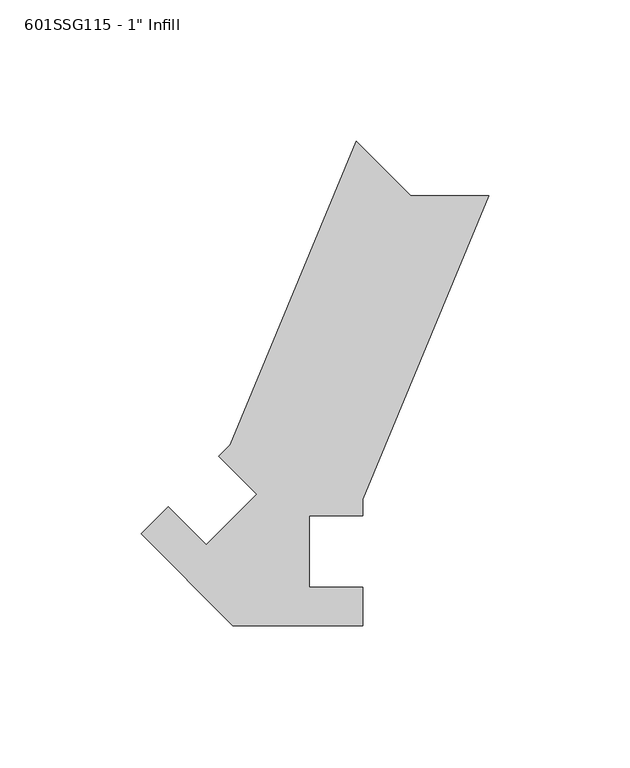
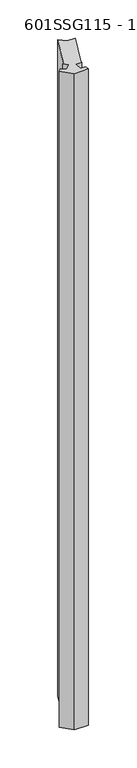
"""IFC4 building model written with IfcOpenShell, lengths in millimetres: proxy geometry."""

from ifc_helpers import new_model, si_unit, frame, origin, place, context, project, spatial, polyline, outline, extrude, source, transform, mapped, element, save


def proxy_0297624c(model_context):
    return source(origin(), model_context, "Body", "SweptSolid", [
        extrude(outline(polyline([(-11.8068074, 37.8692441), (32.7619014, 145.4676254), (52.2022198, 126.027307), (79.6949817, 126.027307), (35.1262729, 18.4289258), (35.1262729, 12.7000997), (16.0762729, 12.7000997), (16.0762729, -12.6999003), (35.1262729, -12.6999003), (35.1262729, -26.372693), (-10.9239271, -26.372693), (-43.4863358, 6.1897157), (-33.8182114, 15.8578401), (-20.3478272, 2.3874559), (-2.387315, 20.3479681), (-15.8576992, 33.8183523), (-11.8068074, 37.8692441)])), frame((0.0, 0.0, 63.5), z_axis=(0.0, 0.0, 1.0), x_axis=(1.0, 0.0, 0.0)), (0.0, 0.0, 1.0), 2311.4),
    ])


if __name__ == "__main__":
    model = new_model("IFC4")
    model_context = context("Model", 3, world=origin())
    ifc_project = project(units=[si_unit("LENGTHUNIT", "METRE", prefix="MILLI")], contexts=[model_context])
    site = spatial("IfcSite", under=ifc_project)
    building = spatial("IfcBuilding", under=site)
    placement = place(None, origin())
    proxy_shape = proxy_0297624c(model_context)
    element("IfcBuildingElementProxy", 1, Name="601SSG115 - 1\" Infill", ObjectType="601SSG115 - 1\" Infill", at=placement, inside=building, context=model_context, shape_type="MappedRepresentation", body=[
        mapped(proxy_shape, transform((0.0, 0.0, 0.0), x_axis=(1.0, 0.0, 0.0), y_axis=(0.0, 1.0, 0.0), z_axis=(0.0, 0.0, 1.0))),
    ])
    save(model, "model.ifc")
